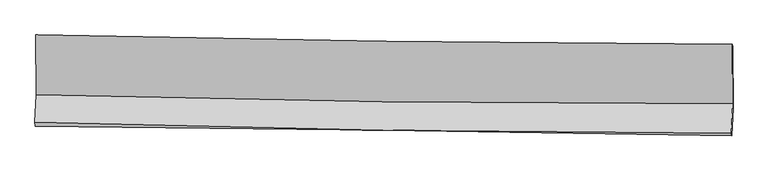
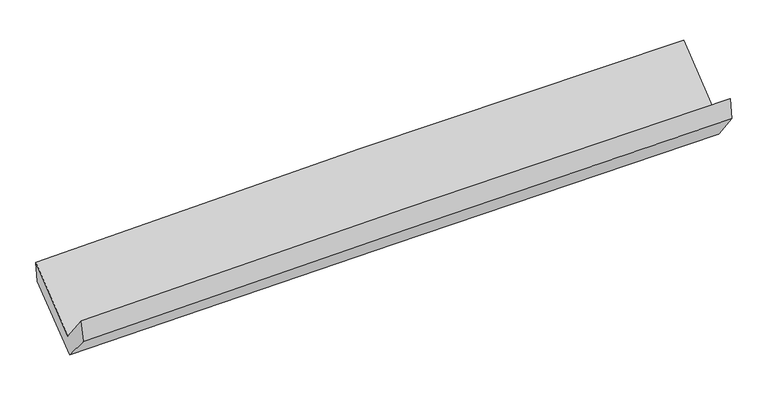
"""IFC4 building model written with IfcOpenShell, lengths in millimetres: proxy geometry."""

from ifc_helpers import new_model, si_unit, frame, origin, place, context, project, spatial, source, transform, mapped, element, save
from ifc_brep_helpers import plane_surface, spline_curve, spline_surface, advanced_brep


def generic_models_5bb6ee1a(model_context):
    return source(origin(), model_context, "Body", "AdvancedBrep", [
        advanced_brep(
        [(-3019.7210705, -1168.6284768, 2155.6495805), (-3016.6490494, -1685.1425882, 1729.8887626), (3007.8371749, -1763.6929482, 1874.7547443), (3004.4435999, -1249.2757118, 2299.1371897), (-3027.3839825, -1924.115743, 2036.8023375), (2996.7312614, -2019.7746755, 2187.3639646), (-3023.3948645, -1957.7985902, 1851.9857372), (3000.9702657, -2042.016042, 2001.4670088), (-3012.9050987, -1707.6585101, 1561.6865618), (3011.4402431, -1806.151532, 1703.6764626), (-3015.5473977, -1184.0731661, 1973.7200881), (3008.4081736, -1270.7214485, 2124.9176015)],
        [
            (0, 1),
            (1, 2, spline_curve(3, [(-3016.6490494, -1685.1425882, 1729.8887626), (-2013.196065019, -1713.545924413, 1771.152145903), (-1009.427994863, -1734.293453537, 1803.856010417), (998.734082413, -1760.476842058, 1852.14459857), (2003.128087299, -1765.912766403, 1867.729395089), (3007.8371749, -1763.6929482, 1874.7547443)], [4, 2, 4], [0.0, 9.886787033941964, 19.773532376962407])),
            (2, 3),
            (3, 0, spline_curve(3, [(3004.4435999, -1249.2757118, 2299.1371897), (1999.754205707, -1245.299359054, 2297.040352064), (995.396843921, -1236.590603703, 2284.034680798), (-1012.658048945, -1209.708232017, 2236.205569558), (-2016.355577264, -1191.534575528, 2201.382038053), (-3019.7210705, -1168.6284768, 2155.6495805)], [4, 2, 4], [0.0, 9.886745343020443, 19.773532376962407])),
            (1, 4),
            (4, 5, spline_curve(3, [(-3027.3839825, -1924.115743, 2036.8023375), (-2024.053083082, -1953.761823226, 2082.374615968), (-1020.376970573, -1976.556443428, 2117.707562412), (987.661446783, -2008.442696342, 2167.894685172), (1992.023749011, -2017.534387024, 2182.748947606), (2996.7312614, -2019.7746755, 2187.3639646)], [4, 2, 4], [0.0, 9.887204890847366, 19.77436808901118])),
            (5, 2),
            (4, 6),
            (6, 7, spline_curve(3, [(-3023.3948645, -1957.7985902, 1851.9857372), (-2019.371279479, -1967.056733567, 1881.050972488), (-1015.328000835, -1978.703946177, 1908.040384718), (992.793709269, -2006.776450235, 1957.867457625), (1996.872140783, -2023.20172156, 1980.705136208), (3000.9702657, -2042.016042, 2001.4670088)], [4, 2, 4], [0.0, 9.886712185454176, 19.773382680302454])),
            (7, 5),
            (6, 8),
            (8, 9, spline_curve(3, [(-3012.9050987, -1707.6585101, 1561.6865618), (-2009.028746341, -1727.159690316, 1590.926639295), (-1005.060732976, -1745.11804607, 1617.379188545), (1003.054382025, -1777.949040508, 1664.709132264), (2007.20148255, -1792.821691914, 1685.586549468), (3011.4402431, -1806.151532, 1703.6764626)], [4, 2, 4], [0.0, 9.886555623320149, 19.773069556694598])),
            (9, 7),
            (8, 10),
            (10, 11, spline_curve(3, [(-3015.5473977, -1184.0731661, 1973.7200881), (-2011.754085368, -1197.843963226, 2007.416815653), (-1007.860072946, -1211.950068093, 2036.864989766), (1000.125118469, -1240.83283141, 2087.264125372), (2004.216296355, -1255.609487773, 2108.215122025), (3008.4081736, -1270.7214485, 2124.9176015)], [4, 2, 4], [0.0, 9.886322813782598, 19.772603938601215])),
            (11, 9),
            (10, 0),
            (3, 11),
        ],
        [
            spline_surface(3, 3, [[(-3019.7210705, -1168.6284768, 2155.6495805), (-2016.355577282, -1191.534575528, 2201.38203792), (-1012.658048976, -1209.708231998, 2236.205569653), (995.396843952, -1236.590603723, 2284.034680703), (1999.75420579, -1245.29935898, 2297.040352066), (3004.4435999, -1249.2757118, 2299.1371897)], [(-3018.697063455, -1340.799847237, 2013.729307854), (-2015.302406518, -1365.538358436, 2057.97207394), (-1011.581364293, -1384.569972442, 2092.089049864), (996.509256801, -1411.219349856, 2140.071320026), (2000.878832932, -1418.837161487, 2153.936699705), (3005.574791584, -1420.748123962, 2157.676374575)], [(-3017.673056445, -1512.971217763, 1871.809035246), (-2014.24923579, -1539.542141434, 1914.562109998), (-1010.50467962, -1559.431712956, 1947.97253009), (997.621669639, -1585.848096061, 1996.107959363), (2002.003460022, -1592.374963908, 2010.833047318), (3006.705983216, -1592.220536038, 2016.215559425)], [(-3016.6490494, -1685.1425882, 1729.8887626), (-2013.196065027, -1713.545924342, 1771.152146018), (-1009.427994937, -1734.2934534, 1803.856010301), (998.734082487, -1760.476842195, 1852.144598686), (2003.128087164, -1765.912766414, 1867.729394956), (3007.8371749, -1763.6929482, 1874.7547443)]], [4, 4], [4, 2, 4], [0.0, 2.2289472462231594], [0.0, 9.886787033941964, 19.773532376962407]),
            spline_surface(3, 3, [[(-3016.6490494, -1685.1425882, 1729.8887626), (-2013.196065027, -1713.545924342, 1771.152146018), (-1009.427994937, -1734.2934534, 1803.856010301), (998.734082487, -1760.476842195, 1852.144598686), (2003.128087164, -1765.912766414, 1867.729394956), (3007.8371749, -1763.6929482, 1874.7547443)], [(-3020.227360425, -1764.800306465, 1832.193287566), (-2016.815071059, -1793.617890636, 1874.892969357), (-1013.077653486, -1815.047783399, 1908.473194352), (995.043203971, -1843.13212695, 1957.394627506), (1999.426641114, -1849.786639959, 1972.735912554), (3004.135203722, -1849.053523949, 1978.957817737)], [(-3023.805671475, -1844.458024735, 1934.497812534), (-2020.434077117, -1873.689856934, 1978.633792699), (-1016.727312108, -1895.802113355, 2013.090378396), (991.352325383, -1925.787411661, 2062.644656318), (1995.725195098, -1933.660513555, 2077.742430141), (3000.433232578, -1934.414099751, 2083.160891163)], [(-3027.3839825, -1924.115743, 2036.8023375), (-2024.053083149, -1953.761823228, 2082.374616038), (-1020.376970657, -1976.556443354, 2117.707562447), (987.661446868, -2008.442696416, 2167.894685137), (1992.023749049, -2017.5343871, 2182.748947739), (2996.7312614, -2019.7746755, 2187.3639646)]], [4, 4], [4, 2, 4], [0.0, 1.3094697423553343], [0.0, 9.887204890847366, 19.77436808901118]),
            spline_surface(3, 3, [[(-3027.3839825, -1924.115743, 2036.8023375), (-2024.053083149, -1953.761823228, 2082.374616038), (-1020.376970657, -1976.556443354, 2117.707562447), (987.661446868, -2008.442696416, 2167.894685137), (1992.023749049, -2017.5343871, 2182.748947739), (2996.7312614, -2019.7746755, 2187.3639646)], [(-3026.054276519, -1935.343358756, 1975.196804081), (-2022.492481941, -1958.193460042, 2015.266734863), (-1018.69398076, -1977.272277611, 2047.81850319), (989.372201008, -2007.887281009, 2097.88560932), (1993.639879657, -2019.423498608, 2115.401010494), (2998.144262854, -2027.188464332, 2125.398312653)], [(-3024.724570481, -1946.570974444, 1913.591270619), (-2020.931880675, -1962.625096788, 1948.158853644), (-1017.010990806, -1977.988111914, 1977.929443924), (991.082955204, -2007.331865648, 2027.876533494), (1995.256010204, -2021.312610122, 2048.05307329), (2999.557264246, -2034.602253168, 2063.432660747)], [(-3023.3948645, -1957.7985902, 1851.9857372), (-2019.371279467, -1967.056733602, 1881.050972469), (-1015.328000909, -1978.703946171, 1908.040384667), (992.793709344, -2006.77645024, 1957.867457677), (1996.872140813, -2023.20172163, 1980.705136045), (3000.9702657, -2042.016042, 2001.4670088)]], [4, 4], [4, 2, 4], [0.0, 0.6886780725366741], [0.0, 9.886712185454176, 19.773382680302454]),
            spline_surface(3, 3, [[(-3023.3948645, -1957.7985902, 1851.9857372), (-2019.371279467, -1967.056733602, 1881.050972469), (-1015.328000909, -1978.703946171, 1908.040384667), (992.793709344, -2006.77645024, 1957.867457677), (1996.872140813, -2023.20172163, 1980.705136045), (3000.9702657, -2042.016042, 2001.4670088)], [(-3019.898275896, -1874.418563498, 1755.219345379), (-2015.923768374, -1887.091052458, 1784.342861363), (-1011.905578201, -1900.841979493, 1811.153319348), (996.21393354, -1930.500646969, 1860.148015832), (2000.315254681, -1946.408378351, 1882.332273887), (3004.460258164, -1963.394538677, 1902.203493402)], [(-3016.401687304, -1791.038536802, 1658.452953621), (-2012.476257295, -1807.125371318, 1687.634750319), (-1008.483155543, -1822.980012823, 1714.266254008), (999.634157688, -1854.224843705, 1762.428573964), (2003.758368556, -1869.615035042, 1783.959411724), (3007.950250636, -1884.773035323, 1802.939977998)], [(-3012.9050987, -1707.6585101, 1561.6865618), (-2009.028746203, -1727.159690174, 1590.926639214), (-1005.060732835, -1745.118046145, 1617.379188689), (1003.054381884, -1777.949040433, 1664.709132119), (2007.201482424, -1792.821691763, 1685.586549566), (3011.4402431, -1806.151532, 1703.6764626)]], [4, 4], [4, 2, 4], [0.0, 1.2221873990942873], [0.0, 9.886555623320149, 19.773069556694598]),
            spline_surface(3, 3, [[(-3012.9050987, -1707.6585101, 1561.6865618), (-2009.028746203, -1727.159690174, 1590.926639214), (-1005.060732835, -1745.118046145, 1617.379188689), (1003.054381884, -1777.949040433, 1664.709132119), (2007.201482424, -1792.821691763, 1685.586549566), (3011.4402431, -1806.151532, 1703.6764626)], [(-3013.785865031, -1533.130062089, 1699.031070573), (-2009.937192581, -1550.721114522, 1729.756698057), (-1005.993846213, -1567.395386758, 1757.207789096), (1002.077960696, -1598.910304161, 1805.560796486), (2006.2064204, -1613.750957063, 1826.462740435), (3010.429553262, -1627.674837496, 1844.090175573)], [(-3014.666631369, -1358.601614111, 1836.375579327), (-2010.845638966, -1374.282538904, 1868.586756882), (-1006.926959506, -1389.672727322, 1897.036389507), (1001.101539593, -1419.871567841, 1946.412460856), (2005.211358389, -1434.680222374, 1967.338931285), (3009.418863438, -1449.198143004, 1984.503888527)], [(-3015.5473977, -1184.0731661, 1973.7200881), (-2011.754085345, -1197.843963252, 2007.416815725), (-1007.860072883, -1211.950067934, 2036.864989914), (1000.125118406, -1240.832831569, 2087.264125223), (2004.216296365, -1255.609487673, 2108.215122154), (3008.4081736, -1270.7214485, 2124.9176015)]], [4, 4], [4, 2, 4], [0.0, 2.233968730997594], [0.0, 9.886322813782598, 19.772603938601215]),
            spline_surface(3, 3, [[(-3015.5473977, -1184.0731661, 1973.7200881), (-2011.754085345, -1197.843963252, 2007.416815725), (-1007.860072883, -1211.950067934, 2036.864989914), (1000.125118406, -1240.832831569, 2087.264125223), (2004.216296365, -1255.609487673, 2108.215122154), (3008.4081736, -1270.7214485, 2124.9176015)], [(-3016.938621975, -1178.924936355, 2034.363252248), (-2013.287915999, -1195.740834032, 2072.071889804), (-1009.459398244, -1211.2027893, 2103.31184982), (998.549026924, -1239.418755631, 2152.854310376), (2002.728932821, -1252.172778093, 2171.156865451), (3007.086649014, -1263.572869585, 2182.99079756)], [(-3018.329846225, -1173.776706545, 2095.006416352), (-2014.821746628, -1193.637704748, 2136.726963841), (-1011.058723615, -1210.455510632, 2169.758709748), (996.972935434, -1238.00467966, 2218.44449555), (2001.241569334, -1248.73606856, 2234.098608769), (3005.765124486, -1256.424290715, 2241.06399364)], [(-3019.7210705, -1168.6284768, 2155.6495805), (-2016.355577282, -1191.534575528, 2201.38203792), (-1012.658048976, -1209.708231998, 2236.205569653), (995.396843952, -1236.590603723, 2284.034680703), (1999.75420579, -1245.29935898, 2297.040352066), (3004.4435999, -1249.2757118, 2299.1371897)]], [4, 4], [4, 2, 4], [0.0, 0.6500635346475995], [0.0, 9.886221322211503, 19.772400955886997]),
            plane_surface(frame((3004.9717864, -1691.9387263, 2031.8861619), z_axis=(0.999610112908651, -0.01354741484700727, 0.024414948734687816), x_axis=(-0.004450566344297578, 0.7859210017396906, 0.6183109019608957))),
            plane_surface(frame((-3019.2669106, -1604.5695124, 1884.9555113), z_axis=(-0.9996120973573015, 0.013932659851872031, -0.024115053522413346), x_axis=(0.022852962030257284, -0.08456745689058973, -0.996155654183372))),
        ],
        [
            (0, [[1, 2, 3, 4]]),
            (1, [[5, 6, 7, -2]]),
            (2, [[8, 9, 10, -6]]),
            (3, [[11, 12, 13, -9]]),
            (4, [[14, 15, 16, -12]]),
            (5, [[17, -4, 18, -15]]),
            (6, [[-16, -18, -3, -7, -10, -13]]),
            (7, [[-17, -14, -11, -8, -5, -1]]),
        ],
    ),
    ])


if __name__ == "__main__":
    model = new_model("IFC4")
    model_context = context("Model", 3, world=origin())
    ifc_project = project(units=[si_unit("LENGTHUNIT", "METRE", prefix="MILLI")], contexts=[model_context])
    site = spatial("IfcSite", under=ifc_project)
    building = spatial("IfcBuilding", under=site)
    placement = place(None, origin())
    generic_models_shape = generic_models_5bb6ee1a(model_context)
    element("IfcBuildingElementProxy", 1, Name="Generic Models", at=placement, inside=building, context=model_context, shape_type="MappedRepresentation", body=[
        mapped(generic_models_shape, transform((0.0, 0.0, 0.0), x_axis=(1.0, 0.0, 0.0), y_axis=(0.0, 1.0, 0.0), z_axis=(0.0, 0.0, 1.0))),
    ])
    save(model, "model.ifc")
